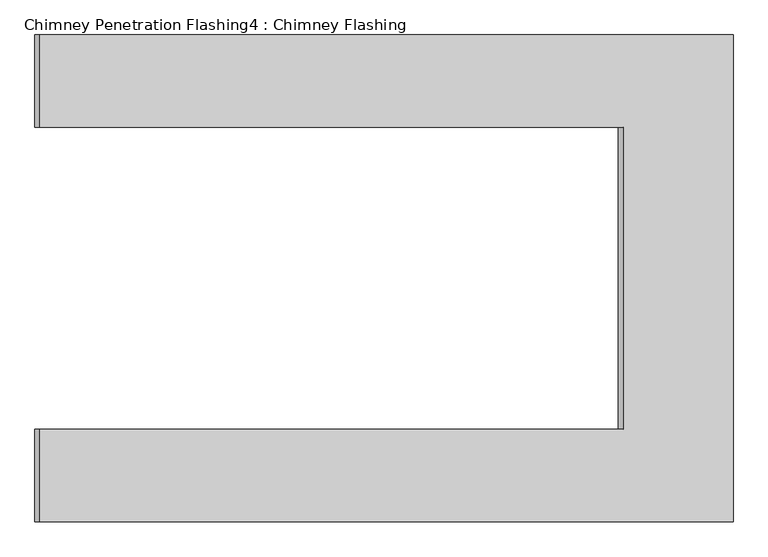
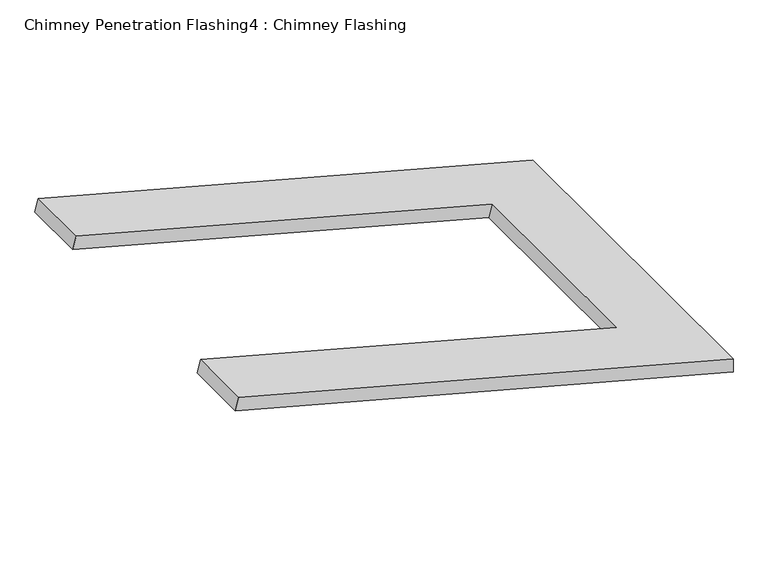
"""IFC4 building model written with IfcOpenShell, lengths in millimetres: proxy geometry, Chimney Penetration Flashing4 : Chimney Flashing."""

import ifcopenshell
import ifcopenshell.guid

model = None  # the IFC model being written
_history = None  # IfcOwnerHistory: only IFC2X3 demands one
_inside = {}  # id of a spatial element -> (the spatial element, [elements in it])
_under = {}  # id of a project, library or spatial element -> (it, [spatial elements below it])
_declared = {}  # id of a project -> (the project, [libraries it declares])
_typed = {}  # id of a type object -> (the type object, [elements of that type])
_made_of = {}  # id of a material, layer set ... -> (it, [elements and type objects made of it])


def new_model(schema):
    """Start an empty IFC model of exactly this schema.

    Asked for "IFC4X3", IfcOpenShell would pick the latest addendum, in which some entities
    have other attributes; the version numbers below select the first issue.
    IFC2X3 requires an IfcOwnerHistory on every rooted entity: one is made here for all.
    """
    global model, _history
    if schema == "IFC4X3":
        model = ifcopenshell.file(schema_version=(4, 3, 0, 0))
    else:
        model = ifcopenshell.file(schema=schema)
    _inside.clear()
    _under.clear()
    _declared.clear()
    _typed.clear()
    _made_of.clear()
    _history = None
    if model.schema == "IFC2X3":
        org = make("IfcOrganization", Name="unknown")
        user = make(
            "IfcPersonAndOrganization",
            ThePerson=make("IfcPerson", FamilyName="unknown"),
            TheOrganization=org,
        )
        app = make(
            "IfcApplication",
            ApplicationDeveloper=org,
            Version="unknown",
            ApplicationFullName="unknown",
            ApplicationIdentifier="unknown",
        )
        _history = make(
            "IfcOwnerHistory",
            OwningUser=user,
            OwningApplication=app,
            ChangeAction="ADDED",
            CreationDate=0,
        )
    return model


def make(cls, **values):
    """One entity of the class cls with the attributes given. An attribute that is None is left unset."""
    return model.create_entity(
        cls, **{name: value for name, value in values.items() if value is not None}
    )


def rooted(cls, **values):
    """An entity with a GlobalId (a new one), such as an element, a storey or a relation."""
    return make(cls, GlobalId=ifcopenshell.guid.new(), OwnerHistory=_history, **values)


def si_unit(unit_type, name, prefix=None):
    """IfcSIUnit, for example si_unit("LENGTHUNIT", "METRE", prefix="MILLI")."""
    return make("IfcSIUnit", UnitType=unit_type, Prefix=prefix, Name=name)


def assignment(units):
    """IfcUnitAssignment: the units of a project."""
    return None if units is None else make("IfcUnitAssignment", Units=units)


def point(xyz):
    """IfcCartesianPoint."""
    return None if xyz is None else make("IfcCartesianPoint", Coordinates=xyz)


def direction(xyz):
    """IfcDirection."""
    return None if xyz is None else make("IfcDirection", DirectionRatios=xyz)


def frame(location, z_axis=None, x_axis=None):
    """IfcAxis2Placement3D, a coordinate frame: its origin and axes. An axis left out is left unset."""
    return make(
        "IfcAxis2Placement3D",
        Location=point(location),
        Axis=direction(z_axis),
        RefDirection=direction(x_axis),
    )


def origin():
    """The frame at (0, 0, 0) with its axes left unset."""
    return frame((0.0, 0.0, 0.0))


def place(relative_to, where):
    """IfcLocalPlacement: puts the frame where relative to a parent placement (None: the world)."""
    return make(
        "IfcLocalPlacement", PlacementRelTo=relative_to, RelativePlacement=where
    )


def context(
    kind, dimensions, precision=None, world=None, true_north=None, identifier=None
):
    """IfcGeometricRepresentationContext, for example the 3D "Model" context."""
    return make(
        "IfcGeometricRepresentationContext",
        ContextIdentifier=identifier,
        ContextType=kind,
        CoordinateSpaceDimension=dimensions,
        Precision=precision,
        WorldCoordinateSystem=world,
        TrueNorth=true_north,
    )


def project(units=None, contexts=None):
    """IfcProject with its units and contexts."""
    return rooted(
        "IfcProject",
        Name="project",
        RepresentationContexts=contexts,
        UnitsInContext=assignment(units),
    )


def spatial(cls, under=None, at=None, **own):
    """A site, building, storey or space (cls), placed at a placement, below another one or the project."""
    s = rooted(cls, ObjectPlacement=at, **own)
    if under is not None:
        _under.setdefault(under.id(), (under, []))[1].append(s)
    return s


def faces_of(points, faces, orient=None, outer=None):
    """IfcFace entities. A face is a list of loops; a loop is a list of indices into points, from 0.

    orient and outer hold one flag for each loop. By default every Orientation is true, the
    first loop of a face is its IfcFaceOuterBound and the others are IfcFaceBound.
    """
    made = []
    for i, loops in enumerate(faces):
        bounds = []
        for j, loop in enumerate(loops):
            is_outer = j == 0 if outer is None else outer[i][j]
            bounds.append(
                make(
                    "IfcFaceOuterBound" if is_outer else "IfcFaceBound",
                    Bound=make("IfcPolyLoop", Polygon=[points[k] for k in loop]),
                    Orientation=True if orient is None else orient[i][j],
                )
            )
        made.append(make("IfcFace", Bounds=bounds))
    return made


def faceted_brep(points, faces, orient=None, outer=None, voids=None):
    """IfcFacetedBrep: a solid bounded by flat faces; with voids (closed shells), ...WithVoids."""
    shared = [point(p) for p in points]
    hull = make("IfcClosedShell", CfsFaces=faces_of(shared, faces, orient, outer))
    if voids is None:
        return make("IfcFacetedBrep", Outer=hull)
    return make(
        "IfcFacetedBrepWithVoids",
        Outer=hull,
        Voids=[
            make(cls, CfsFaces=faces_of(shared, fs, o, b)) for cls, fs, o, b in voids
        ],
    )


def shape(context_of_items, identifier, shape_type, items):
    """IfcShapeRepresentation: the items that make up one representation, for example the "Body"."""
    return make(
        "IfcShapeRepresentation",
        ContextOfItems=context_of_items,
        RepresentationIdentifier=identifier,
        RepresentationType=shape_type,
        Items=items,
    )


def source(mapping_origin, context_of_items, identifier, shape_type, items):
    """IfcRepresentationMap: a shape defined once, which mapped items show again and again."""
    return make(
        "IfcRepresentationMap",
        MappingOrigin=mapping_origin,
        MappedRepresentation=shape(context_of_items, identifier, shape_type, items),
    )


def transform(
    local_origin,
    x_axis=None,
    y_axis=None,
    z_axis=None,
    scale=None,
    scale2=None,
    scale3=None,
    uniform=True,
):
    """IfcCartesianTransformationOperator3D, or its non-uniform kind. x_axis, y_axis, z_axis: its Axis1, 2, 3."""
    if uniform:
        return make(
            "IfcCartesianTransformationOperator3D",
            Axis1=direction(x_axis),
            Axis2=direction(y_axis),
            LocalOrigin=point(local_origin),
            Scale=scale,
            Axis3=direction(z_axis),
        )
    return make(
        "IfcCartesianTransformationOperator3DnonUniform",
        Axis1=direction(x_axis),
        Axis2=direction(y_axis),
        LocalOrigin=point(local_origin),
        Scale=scale,
        Axis3=direction(z_axis),
        Scale2=scale2,
        Scale3=scale3,
    )


def mapped(mapping_source, mapping_target):
    """IfcMappedItem: shows the shape of a source again, moved by a transform."""
    return make(
        "IfcMappedItem", MappingSource=mapping_source, MappingTarget=mapping_target
    )


def made_of(thing, what):
    """Note that an element or type object is made of a material, layer set ...; save() writes the relation."""
    if what is not None:
        _made_of.setdefault(what.id(), (what, []))[1].append(thing)
    return thing


def element(
    cls,
    number,
    at=None,
    inside=None,
    cuts=None,
    type_object=None,
    material=None,
    context=None,
    identifier="Body",
    shape_type=None,
    held_by="IfcProductDefinitionShape",
    body=None,
    shapes=None,
    **own,
):
    """One element of the class cls, such as IfcWall. Its Tag is "e" and its number.

    at: its placement. inside: the storey or other place that contains it. cuts: it is an
    opening in that element (IfcRelVoidsElement). A single representation is given by context,
    identifier, shape_type and body (its items); several are given by shapes. held_by: the class
    of the entity that holds the representations. save() writes the other relations.
    """
    e = rooted(cls, Tag="e%d" % number, ObjectPlacement=at, **own)
    if body is not None:
        shapes = [shape(context, identifier, shape_type, body)]
    if shapes is not None:
        e.Representation = make(held_by, Representations=shapes)
    if inside is not None:
        _inside.setdefault(inside.id(), (inside, []))[1].append(e)
    if cuts is not None:
        rooted(
            "IfcRelVoidsElement", RelatingBuildingElement=cuts, RelatedOpeningElement=e
        )
    if type_object is not None:
        _typed.setdefault(type_object.id(), (type_object, []))[1].append(e)
    return made_of(e, material)


def aggregate(whole, parts):
    """IfcRelAggregates: a whole, such as a stair, and the parts it consists of."""
    return rooted("IfcRelAggregates", RelatingObject=whole, RelatedObjects=parts)


def save(model, path):
    """Write the relations noted so far, then the file.

    IfcRelAggregates (storeys below a building ...), IfcRelContainedInSpatialStructure (elements
    in a storey), IfcRelDefinesByType, IfcRelAssociatesMaterial and IfcRelDeclares: one each for
    every whole, place, type object, material and project.
    """
    for whole, parts in _under.values():
        aggregate(whole, parts)
    for where, things in _inside.values():
        rooted(
            "IfcRelContainedInSpatialStructure",
            RelatedElements=things,
            RelatingStructure=where,
        )
    for kind, things in _typed.values():
        rooted("IfcRelDefinesByType", RelatedObjects=things, RelatingType=kind)
    for what, things in _made_of.values():
        rooted("IfcRelAssociatesMaterial", RelatedObjects=things, RelatingMaterial=what)
    for by, libraries in _declared.values():
        rooted("IfcRelDeclares", RelatingContext=by, RelatedDefinitions=libraries)
    model.write(path)


def chimney_penetration_flashing4_chimney_flashing_d64f9aba(model_context):
    return source(origin(), model_context, "Body", "Brep", [
        faceted_brep([(11226.0325254, -12056.559391, 9576.3272044), (11226.0325254, -12056.559391, 9615.1260589), (9848.4395178, -12056.559391, 9984.2509927), (9838.7492993, -12056.559391, 9948.0486245), (11226.0325254, -11089.2324935, 9576.3272044), (9838.7492993, -11089.2324935, 9948.0486245), (9848.4395178, -11089.2324935, 9984.2509927), (11226.0325254, -11089.2324935, 9615.1260589), (9848.4395178, -11272.8959422, 9984.2509927), (11007.550479, -11272.8959422, 9673.6681468), (11007.550479, -11872.8959422, 9673.6681468), (9848.4395178, -11872.8959422, 9984.2509927), (9838.7492993, -11872.8959422, 9948.0486245), (9838.7492993, -11272.8959422, 9948.0486245), (10997.8507654, -11872.8959422, 9637.4683227), (10997.8507654, -11272.8959422, 9637.4683227)], [[[0, 1, 2, 3]], [[4, 5, 6, 7]], [[1, 0, 4, 7]], [[2, 1, 7, 6, 8, 9, 10, 11]], [[3, 2, 11, 12]], [[6, 5, 13, 8]], [[0, 3, 12, 14, 15, 13, 5, 4]], [[15, 9, 8, 13]], [[9, 15, 14, 10]], [[10, 14, 12, 11]]]),
    ])


if __name__ == "__main__":
    model = new_model("IFC4")
    model_context = context("Model", 3, world=origin())
    ifc_project = project(units=[si_unit("LENGTHUNIT", "METRE", prefix="MILLI")], contexts=[model_context])
    site = spatial("IfcSite", under=ifc_project)
    building = spatial("IfcBuilding", under=site)
    placement = place(None, origin())
    chimney_penetration_flashing4_chimney_flashing_shape = chimney_penetration_flashing4_chimney_flashing_d64f9aba(model_context)
    element("IfcBuildingElementProxy", 1, Name="Chimney Penetration Flashing4 : Chimney Flashing", ObjectType="Chimney Penetration Flashing4 : Chimney Flashing", at=placement, inside=building, context=model_context, shape_type="MappedRepresentation", body=[
        mapped(chimney_penetration_flashing4_chimney_flashing_shape, transform((0.0, 0.0, 0.0), x_axis=(1.0, 0.0, 0.0), y_axis=(0.0, 1.0, 0.0), z_axis=(0.0, 0.0, 1.0))),
    ])
    save(model, "model.ifc")
